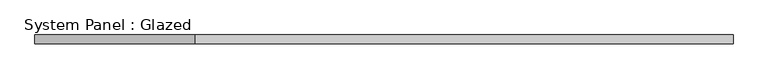
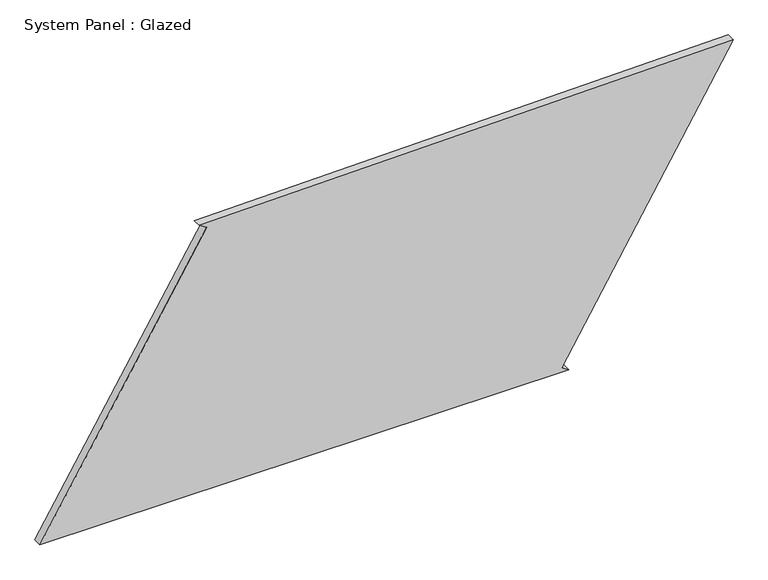
"""IFC4 building model written with IfcOpenShell, lengths in millimetres: plate geometry, System Panel : Glazed."""

from ifc_helpers import new_model, si_unit, frame, origin, place, context, project, spatial, polyline, outline, extrude, source, transform, mapped, element, save


def system_panel_glazed_a585ece0(model_context):
    return source(origin(), model_context, "Body", "SweptSolid", [
        extrude(outline(polyline([(0.0, -999.1556781), (0.0, 526.0125973), (12.8418044, 504.5629339), (838.959971, 999.1556781), (812.1589598, -540.0882702), (799.2783027, -518.6619155), (0.0, -999.1556781)])), frame((0.0, -49.5, 0.0), z_axis=(0.0, 1.0, 0.0), x_axis=(0.0, 0.0, 1.0)), (0.0, 0.0, 1.0), 25.0),
    ])


if __name__ == "__main__":
    model = new_model("IFC4")
    model_context = context("Model", 3, world=origin())
    ifc_project = project(units=[si_unit("LENGTHUNIT", "METRE", prefix="MILLI")], contexts=[model_context])
    site = spatial("IfcSite", under=ifc_project)
    building = spatial("IfcBuilding", under=site)
    placement = place(None, origin())
    system_panel_glazed_shape = system_panel_glazed_a585ece0(model_context)
    element("IfcPlate", 1, ObjectType="System Panel : Glazed", at=placement, inside=building, context=model_context, shape_type="MappedRepresentation", body=[
        mapped(system_panel_glazed_shape, transform((0.0, 0.0, 0.0), x_axis=(1.0, 0.0, 0.0), y_axis=(0.0, 1.0, 0.0), z_axis=(0.0, 0.0, 1.0))),
    ])
    save(model, "model.ifc")
